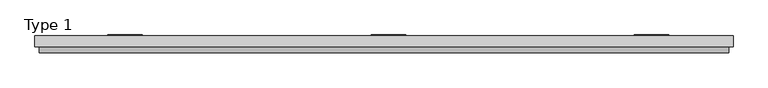
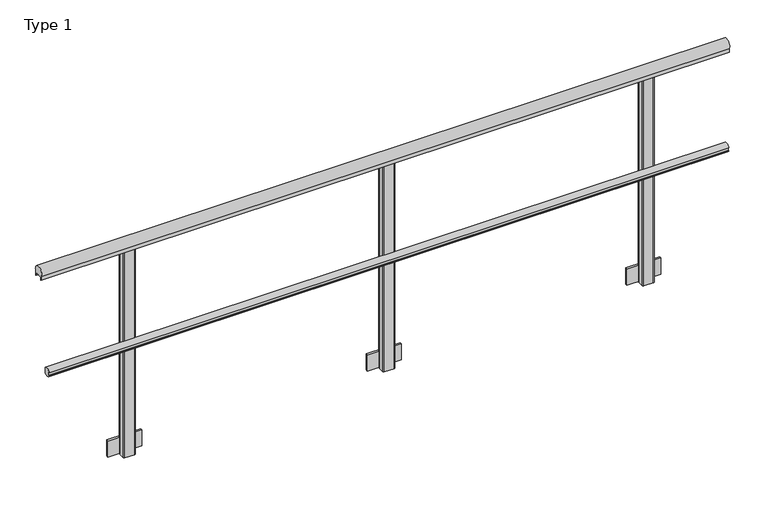
"""IFC4 building model written with IfcOpenShell, lengths in millimetres: railing geometry, Type 1."""

from ifc_helpers import new_model, si_unit, point, frame, frame_2d, origin, place, context, project, spatial, polyline, circle_curve, trimmed, segment, composite_curve, outline, extrude, source, transform, mapped, element, save


def type_1_2cf33192(model_context):
    return source(origin(), model_context, "Body", "SweptSolid", [
        extrude(outline(composite_curve([segment(polyline([(-34.3, 480.617273), (-30.3, 480.617273), (-30.3, 495.382727), (-34.3, 495.382727)]), True, "CONTINUOUS"), segment(trimmed(circle_curve(frame_2d((-15.712495, 488.0)), 20.0), [point((-34.3, 495.382727))], [point((0.0, 500.3740657))], False, "CARTESIAN"), True, "CONTINUOUS"), segment(polyline([(0.0, 500.3740657), (0.0, 475.6259343)]), True, "CONTINUOUS"), segment(trimmed(circle_curve(frame_2d((-15.712495, 488.0)), 20.0), [point((0.0, 475.6259343))], [point((-34.3, 480.617273))], False, "CARTESIAN"), True, "CONTINUOUS")], self_intersect=False)), frame((-370.0, 0.0, 0.0), z_axis=(1.0, 0.0, 0.0), x_axis=(0.0, 1.0, 0.0)), (0.0, 0.0, 1.0), 3200.0),
        extrude(outline(composite_curve([segment(polyline([(40.0, 961.43534), (40.0, 943.0), (39.0, 943.0), (39.0, 958.0), (-1.0, 958.0), (-1.0, 943.0), (-2.0, 943.0), (-2.0, 961.43534)]), True, "CONTINUOUS"), segment(trimmed(circle_curve(frame_2d((19.0, 975.0)), 25.0), [point((-2.0, 961.43534))], [point((40.0, 961.43534))], False, "CARTESIAN"), True, "CONTINUOUS")], self_intersect=False)), frame((-390.0, 0.0, 0.0), z_axis=(1.0, 0.0, 0.0), x_axis=(0.0, 1.0, 0.0)), (0.0, 0.0, 1.0), 3240.0),
        extrude(outline(polyline([(1330.0, 48.5), (1330.0, 38.0), (1170.0, 38.0), (1170.0, 48.5), (1330.0, 48.5)])), frame((0.0, 0.0, -80.0), z_axis=(0.0, 0.0, 1.0), x_axis=(1.0, 0.0, 0.0)), (0.0, 0.0, 1.0), 80.0),
        extrude(outline(composite_curve([segment(polyline([(1227.0, 38.0), (1273.0, 38.0)]), True, "CONTINUOUS"), segment(trimmed(circle_curve(frame_2d((1273.0, 33.0)), 5.0), [point((1273.0, 38.0))], [point((1278.0, 33.0))], False, "CARTESIAN"), True, "CONTINUOUS"), segment(polyline([(1278.0, 33.0), (1278.0, 5.0)]), True, "CONTINUOUS"), segment(trimmed(circle_curve(frame_2d((1273.0, 5.0)), 5.0), [point((1278.0, 5.0))], [point((1273.0, 0.0))], False, "CARTESIAN"), True, "CONTINUOUS"), segment(polyline([(1273.0, 0.0), (1227.0, 0.0)]), True, "CONTINUOUS"), segment(trimmed(circle_curve(frame_2d((1227.0, 5.0)), 5.0), [point((1227.0, 0.0))], [point((1222.0, 5.0))], False, "CARTESIAN"), True, "CONTINUOUS"), segment(polyline([(1222.0, 5.0), (1222.0, 33.0)]), True, "CONTINUOUS"), segment(trimmed(circle_curve(frame_2d((1227.0, 33.0)), 5.0), [point((1222.0, 33.0))], [point((1227.0, 38.0))], False, "CARTESIAN"), True, "CONTINUOUS")], self_intersect=False)), frame((0.0, 0.0, -80.0), z_axis=(0.0, 0.0, 1.0), x_axis=(1.0, 0.0, 0.0)), (0.0, 0.0, 1.0), 1038.0),
        extrude(outline(polyline([(2552.0, 48.5), (2552.0, 38.0), (2392.0, 38.0), (2392.0, 48.5), (2552.0, 48.5)])), frame((0.0, 0.0, -80.0), z_axis=(0.0, 0.0, 1.0), x_axis=(1.0, 0.0, 0.0)), (0.0, 0.0, 1.0), 80.0),
        extrude(outline(composite_curve([segment(polyline([(2449.0, 38.0), (2495.0, 38.0)]), True, "CONTINUOUS"), segment(trimmed(circle_curve(frame_2d((2495.0, 33.0)), 5.0), [point((2495.0, 38.0))], [point((2500.0, 33.0))], False, "CARTESIAN"), True, "CONTINUOUS"), segment(polyline([(2500.0, 33.0), (2500.0, 5.0)]), True, "CONTINUOUS"), segment(trimmed(circle_curve(frame_2d((2495.0, 5.0)), 5.0), [point((2500.0, 5.0))], [point((2495.0, 0.0))], False, "CARTESIAN"), True, "CONTINUOUS"), segment(polyline([(2495.0, 0.0), (2449.0, 0.0)]), True, "CONTINUOUS"), segment(trimmed(circle_curve(frame_2d((2449.0, 5.0)), 5.0), [point((2449.0, 0.0))], [point((2444.0, 5.0))], False, "CARTESIAN"), True, "CONTINUOUS"), segment(polyline([(2444.0, 5.0), (2444.0, 33.0)]), True, "CONTINUOUS"), segment(trimmed(circle_curve(frame_2d((2449.0, 33.0)), 5.0), [point((2444.0, 33.0))], [point((2449.0, 38.0))], False, "CARTESIAN"), True, "CONTINUOUS")], self_intersect=False)), frame((0.0, 0.0, -80.0), z_axis=(0.0, 0.0, 1.0), x_axis=(1.0, 0.0, 0.0)), (0.0, 0.0, 1.0), 1038.0),
        extrude(outline(polyline([(108.0, 48.5), (108.0, 38.0), (-52.0, 38.0), (-52.0, 48.5), (108.0, 48.5)])), frame((0.0, 0.0, -80.0), z_axis=(0.0, 0.0, 1.0), x_axis=(1.0, 0.0, 0.0)), (0.0, 0.0, 1.0), 80.0),
        extrude(outline(composite_curve([segment(polyline([(5.0, 38.0), (51.0, 38.0)]), True, "CONTINUOUS"), segment(trimmed(circle_curve(frame_2d((51.0, 33.0)), 5.0), [point((51.0, 38.0))], [point((56.0, 33.0))], False, "CARTESIAN"), True, "CONTINUOUS"), segment(polyline([(56.0, 33.0), (56.0, 5.0)]), True, "CONTINUOUS"), segment(trimmed(circle_curve(frame_2d((51.0, 5.0)), 5.0), [point((56.0, 5.0))], [point((51.0, 0.0))], False, "CARTESIAN"), True, "CONTINUOUS"), segment(polyline([(51.0, 0.0), (5.0, 0.0)]), True, "CONTINUOUS"), segment(trimmed(circle_curve(frame_2d((5.0, 5.0)), 5.0), [point((5.0, 0.0))], [point((0.0, 5.0))], False, "CARTESIAN"), True, "CONTINUOUS"), segment(polyline([(0.0, 5.0), (0.0, 33.0)]), True, "CONTINUOUS"), segment(trimmed(circle_curve(frame_2d((5.0, 33.0)), 5.0), [point((0.0, 33.0))], [point((5.0, 38.0))], False, "CARTESIAN"), True, "CONTINUOUS")], self_intersect=False)), frame((0.0, 0.0, -80.0), z_axis=(0.0, 0.0, 1.0), x_axis=(1.0, 0.0, 0.0)), (0.0, 0.0, 1.0), 1038.0),
    ])


if __name__ == "__main__":
    model = new_model("IFC4")
    model_context = context("Model", 3, world=origin())
    ifc_project = project(units=[si_unit("LENGTHUNIT", "METRE", prefix="MILLI")], contexts=[model_context])
    site = spatial("IfcSite", under=ifc_project)
    building = spatial("IfcBuilding", under=site)
    placement = place(None, origin())
    type_1_shape = type_1_2cf33192(model_context)
    element("IfcRailing", 1, ObjectType="Type 1", at=placement, inside=building, context=model_context, shape_type="MappedRepresentation", body=[
        mapped(type_1_shape, transform((0.0, 0.0, 0.0), x_axis=(1.0, 0.0, 0.0), y_axis=(0.0, 1.0, 0.0), z_axis=(0.0, 0.0, 1.0))),
    ])
    save(model, "model.ifc")
